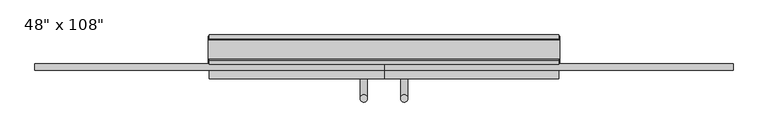
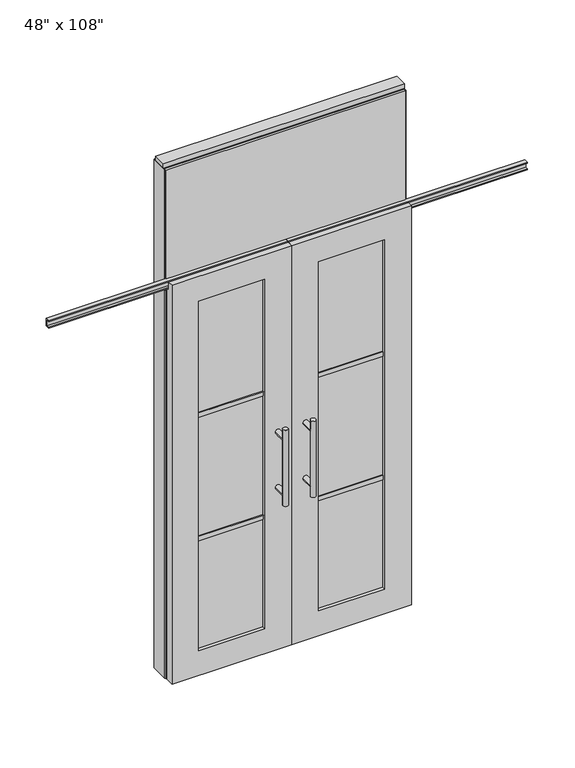
"""IFC4 building model written with IfcOpenShell, lengths in millimetres: furniture geometry."""

from ifc_helpers import new_model, si_unit, frame, origin, origin_with_axes, place, context, project, spatial, polyline, circle_curve, ellipse_curve, outline, extrude, faceted_brep, source, transform, mapped, element, save
from ifc_brep_helpers import plane_surface, cylinder_surface, advanced_brep


def furniture_054a3932(model_context):
    return source(origin(), model_context, "Body", "SolidModel", [
        extrude(outline(polyline([(545.6264771, 46.2822784), (545.6264771, 33.5822784), (-665.6995229, 33.5822784), (-665.6995229, 46.2822784), (545.6264771, 46.2822784)])), frame((0.0, 0.0, 2133.6), z_axis=(0.0, 0.0, 1.0), x_axis=(1.0, 0.0, 0.0)), (0.0, 0.0, 1.0), 584.2),
        extrude(outline(polyline([(545.6264771, -55.3177216), (-665.6995229, -55.3177216), (-665.6995229, -42.6177216), (545.6264771, -42.6177216), (545.6264771, -55.3177216)])), frame((0.0, 0.0, 2133.6), z_axis=(0.0, 0.0, 1.0), x_axis=(1.0, 0.0, 0.0)), (0.0, 0.0, 1.0), 584.2),
        advanced_brep(
        [(-117.3135229, 5.8962784, 1219.2), (-142.7135229, 5.8962784, 1219.2), (-117.3135229, 5.8962784, 812.8), (-142.7135229, 5.8962784, 812.8), (-117.3135229, 5.8962784, 1164.336), (-117.3135229, 5.8962784, 867.664), (-142.7135229, 5.8962784, 867.664), (-142.7135229, 5.8962784, 1164.336), (-117.3135229, -61.6677216, 1164.336), (-142.7135229, -61.6677216, 1164.336), (-117.3135229, -61.6677216, 867.664), (-142.7135229, -61.6677216, 867.664)],
        [
            (0, 1, circle_curve(frame((-130.0135229, 5.8962784, 1219.2), z_axis=(0.0, 0.0, 1.0), x_axis=(-1.0, 0.0, 0.0)), 12.7)),
            (1, 0, circle_curve(frame((-130.0135229, 5.8962784, 1219.2), z_axis=(0.0, 0.0, 1.0), x_axis=(-1.0, 0.0, 0.0)), 12.7)),
            (2, 3, circle_curve(frame((-130.0135229, 5.8962784, 812.8), z_axis=(0.0, 0.0, -1.0), x_axis=(-1.0, 0.0, 0.0)), 12.7)),
            (3, 2, circle_curve(frame((-130.0135229, 5.8962784, 812.8), z_axis=(0.0, 0.0, -1.0), x_axis=(-1.0, 0.0, 0.0)), 12.7)),
            (0, 4),
            (4, 5),
            (5, 2),
            (3, 6),
            (6, 7),
            (7, 1),
            (7, 4, ellipse_curve(frame((-130.0135229, 5.8962784, 1164.336), z_axis=(0.0, 0.707106781186565, 0.70710678118653), x_axis=(0.0, -0.70710678118653, 0.707106781186565)), 17.9605122, 12.7)),
            (5, 6, ellipse_curve(frame((-130.0135229, 5.8962784, 867.664), z_axis=(0.0, 0.70710678118653, -0.7071067811865649), x_axis=(0.0, 0.7071067811865648, 0.7071067811865301)), 17.9605122, 12.7)),
            (4, 7, ellipse_curve(frame((-130.0135229, 5.8962784, 1164.336), z_axis=(0.0, 0.70710678118653, -0.7071067811865649), x_axis=(0.0, 0.7071067811865648, 0.7071067811865301)), 17.9605122, 12.7)),
            (6, 5, ellipse_curve(frame((-130.0135229, 5.8962784, 867.664), z_axis=(0.0, 0.707106781186565, 0.70710678118653), x_axis=(0.0, -0.70710678118653, 0.707106781186565)), 17.9605122, 12.7)),
            (8, 9, circle_curve(frame((-130.0135229, -61.6677216, 1164.336), z_axis=(0.0, -1.0, 0.0), x_axis=(-1.0, 0.0, 0.0)), 12.7)),
            (9, 8, circle_curve(frame((-130.0135229, -61.6677216, 1164.336), z_axis=(0.0, -1.0, 0.0), x_axis=(-1.0, 0.0, 0.0)), 12.7)),
            (9, 7),
            (4, 8),
            (10, 11, circle_curve(frame((-130.0135229, -61.6677216, 867.664), z_axis=(0.0, -1.0, 0.0), x_axis=(-1.0, 0.0, 0.0)), 12.7)),
            (11, 10, circle_curve(frame((-130.0135229, -61.6677216, 867.664), z_axis=(0.0, -1.0, 0.0), x_axis=(-1.0, 0.0, 0.0)), 12.7)),
            (11, 6),
            (5, 10),
        ],
        [
            plane_surface(frame((-142.7135229, 5.8962784, 1219.2), z_axis=(0.0, 0.0, 1.0), x_axis=(0.0, -1.0, 0.0))),
            plane_surface(frame((-142.7135229, 5.8962784, 812.8), z_axis=(0.0, 0.0, -1.0), x_axis=(0.0, 1.0, 0.0))),
            cylinder_surface(frame((-130.0135229, 5.8962784, 812.8), z_axis=(0.0, 0.0, 1.0), x_axis=(-1.0, 0.0, 0.0)), 12.7),
            plane_surface(frame((-142.7135229, -61.6677216, 1164.336), z_axis=(0.0, -1.0, 0.0), x_axis=(0.0, 0.0, -1.0))),
            cylinder_surface(frame((-130.0135229, -61.6677216, 1164.336), z_axis=(0.0, 1.0, 0.0), x_axis=(-1.0, 0.0, 0.0)), 12.7),
            plane_surface(frame((-142.7135229, -61.6677216, 867.664), z_axis=(0.0, -1.0, 0.0), x_axis=(0.0, 0.0, -1.0))),
            cylinder_surface(frame((-130.0135229, -61.6677216, 867.664), z_axis=(0.0, 1.0, 0.0), x_axis=(-1.0, 0.0, 0.0)), 12.7),
        ],
        [
            (0, [[1, 2]]),
            (1, [[3, 4]]),
            (2, [[-1, 5, 6, 7, -4, 8, 9, 10]]),
            (2, [[-2, -10, 11, -5]]),
            (2, [[-3, -7, 12, -8]]),
            (2, [[13, -9, 14, -6]]),
            (3, [[15, 16]]),
            (4, [[-16, 17, -13, 18]]),
            (4, [[-15, -18, -11, -17]]),
            (5, [[19, 20]]),
            (6, [[-20, 21, -12, 22]]),
            (6, [[-19, -22, -14, -21]]),
        ],
    ),
        advanced_brep(
        [(-117.3135229, -173.6817216, 1219.2), (-142.7135229, -173.6817216, 1219.2), (-117.3135229, -173.6817216, 812.8), (-142.7135229, -173.6817216, 812.8), (-142.7135229, -173.6817216, 1164.336), (-142.7135229, -173.6817216, 867.664), (-117.3135229, -173.6817216, 867.664), (-117.3135229, -173.6817216, 1164.336), (-117.3135229, -106.1177216, 1164.336), (-142.7135229, -106.1177216, 1164.336), (-117.3135229, -106.1177216, 867.664), (-142.7135229, -106.1177216, 867.664)],
        [
            (0, 1, circle_curve(frame((-130.0135229, -173.6817216, 1219.2), z_axis=(0.0, 0.0, 1.0), x_axis=(-1.0, 0.0, 0.0)), 12.7)),
            (1, 0, circle_curve(frame((-130.0135229, -173.6817216, 1219.2), z_axis=(0.0, 0.0, 1.0), x_axis=(-1.0, 0.0, 0.0)), 12.7)),
            (2, 3, circle_curve(frame((-130.0135229, -173.6817216, 812.8), z_axis=(0.0, 0.0, -1.0), x_axis=(-1.0, 0.0, 0.0)), 12.7)),
            (3, 2, circle_curve(frame((-130.0135229, -173.6817216, 812.8), z_axis=(0.0, 0.0, -1.0), x_axis=(-1.0, 0.0, 0.0)), 12.7)),
            (1, 4),
            (4, 5),
            (5, 3),
            (2, 6),
            (6, 7),
            (7, 0),
            (6, 5, ellipse_curve(frame((-130.0135229, -173.6817216, 867.664), z_axis=(0.0, -0.707106781186565, 0.70710678118653), x_axis=(0.0, 0.70710678118653, 0.707106781186565)), 17.9605122, 12.7)),
            (4, 7, ellipse_curve(frame((-130.0135229, -173.6817216, 1164.336), z_axis=(0.0, -0.70710678118653, -0.7071067811865649), x_axis=(0.0, -0.7071067811865648, 0.7071067811865301)), 17.9605122, 12.7)),
            (7, 4, ellipse_curve(frame((-130.0135229, -173.6817216, 1164.336), z_axis=(0.0, -0.707106781186565, 0.70710678118653), x_axis=(0.0, 0.70710678118653, 0.707106781186565)), 17.9605122, 12.7)),
            (5, 6, ellipse_curve(frame((-130.0135229, -173.6817216, 867.664), z_axis=(0.0, -0.70710678118653, -0.7071067811865649), x_axis=(0.0, -0.7071067811865648, 0.7071067811865301)), 17.9605122, 12.7)),
            (8, 9, circle_curve(frame((-130.0135229, -106.1177216, 1164.336), z_axis=(0.0, 1.0, 0.0), x_axis=(-1.0, 0.0, 0.0)), 12.7)),
            (9, 8, circle_curve(frame((-130.0135229, -106.1177216, 1164.336), z_axis=(0.0, 1.0, 0.0), x_axis=(-1.0, 0.0, 0.0)), 12.7)),
            (8, 7),
            (4, 9),
            (10, 11, circle_curve(frame((-130.0135229, -106.1177216, 867.664), z_axis=(0.0, 1.0, 0.0), x_axis=(-1.0, 0.0, 0.0)), 12.7)),
            (11, 10, circle_curve(frame((-130.0135229, -106.1177216, 867.664), z_axis=(0.0, 1.0, 0.0), x_axis=(-1.0, 0.0, 0.0)), 12.7)),
            (10, 6),
            (5, 11),
        ],
        [
            plane_surface(frame((-142.7135229, -173.6817216, 1219.2), z_axis=(0.0, 0.0, 1.0), x_axis=(0.0, 1.0, 0.0))),
            plane_surface(frame((-142.7135229, -173.6817216, 812.8), z_axis=(0.0, 0.0, -1.0), x_axis=(0.0, -1.0, 0.0))),
            cylinder_surface(frame((-130.0135229, -173.6817216, 812.8), z_axis=(0.0, 0.0, 1.0), x_axis=(-1.0, 0.0, 0.0)), 12.7),
            plane_surface(frame((-142.7135229, -106.1177216, 1164.336), z_axis=(0.0, 1.0, 0.0), x_axis=(0.0, 0.0, -1.0))),
            cylinder_surface(frame((-130.0135229, -106.1177216, 1164.336), z_axis=(0.0, -1.0, 0.0), x_axis=(-1.0, 0.0, 0.0)), 12.7),
            plane_surface(frame((-142.7135229, -106.1177216, 867.664), z_axis=(0.0, 1.0, 0.0), x_axis=(0.0, 0.0, -1.0))),
            cylinder_surface(frame((-130.0135229, -106.1177216, 867.664), z_axis=(0.0, -1.0, 0.0), x_axis=(-1.0, 0.0, 0.0)), 12.7),
        ],
        [
            (0, [[1, 2]]),
            (1, [[3, 4]]),
            (2, [[5, 6, 7, -3, 8, 9, 10, -2]]),
            (2, [[-9, 11, -6, 12]]),
            (2, [[-10, 13, -5, -1]]),
            (2, [[-7, 14, -8, -4]]),
            (3, [[15, 16]]),
            (4, [[17, -12, 18, -15]]),
            (4, [[-18, -13, -17, -16]]),
            (5, [[19, 20]]),
            (6, [[21, -14, 22, -19]]),
            (6, [[-22, -11, -21, -20]]),
        ],
    ),
        extrude(outline(polyline([(-196.0535229, -95.0052216), (-529.6825229, -95.0052216), (-529.6825229, -72.7802216), (-196.0535229, -72.7802216), (-196.0535229, -95.0052216)])), frame((0.0, 0.0, 1371.6), z_axis=(0.0, 0.0, 1.0), x_axis=(1.0, 0.0, 0.0)), (0.0, 0.0, 1.0), 22.225),
        extrude(outline(polyline([(-196.0535229, -95.0052216), (-529.6825229, -95.0052216), (-529.6825229, -72.7802216), (-196.0535229, -72.7802216), (-196.0535229, -95.0052216)])), frame((0.0, 0.0, 711.2), z_axis=(0.0, 0.0, 1.0), x_axis=(1.0, 0.0, 0.0)), (0.0, 0.0, 1.0), 22.225),
        extrude(outline(polyline([(-529.6825229, -88.9727216), (-529.6825229, -78.8127216), (-196.0535229, -78.8127216), (-196.0535229, -88.9727216), (-529.6825229, -88.9727216)])), frame((0.0, 0.0, 132.969), z_axis=(0.0, 0.0, 1.0), x_axis=(1.0, 0.0, 0.0)), (0.0, 0.0, 1.0), 1867.662),
        extrude(outline(polyline([(-75.3837216, 2097.278), (-75.3837216, 2102.612), (-62.6837216, 2102.612), (-62.6837216, 2131.568), (-75.3837216, 2131.568), (-75.3837216, 2136.902), (-53.6667216, 2136.902), (-53.6667216, 2097.278), (-75.3837216, 2097.278)])), frame((-1271.3625229, 0.0, 0.0), z_axis=(1.0, 0.0, 0.0), x_axis=(0.0, 1.0, 0.0)), (0.0, 0.0, 1.0), 1211.326),
        faceted_brep([(-60.0365229, -106.1177216, 0.0), (-60.0365229, -106.1177216, 2133.6), (-665.6995229, -106.1177216, 2133.6), (-665.6995229, -106.1177216, 0.0), (-529.6825229, -106.1177216, 2000.631), (-196.0535229, -106.1177216, 2000.631), (-196.0535229, -106.1177216, 132.969), (-529.6825229, -106.1177216, 132.969), (-60.0365229, -78.6857216, 2133.6), (-60.0365229, -78.6857216, 2089.023), (-665.6995229, -78.6857216, 2089.023), (-665.6995229, -78.6857216, 2133.6), (-60.0365229, -61.6677216, 0.0), (-60.0365229, -61.6677216, 2089.023), (-665.6995229, -61.6677216, 2089.023), (-665.6995229, -61.6677216, 0.0), (-529.6825229, -61.6677216, 2000.631), (-529.6825229, -61.6677216, 132.969), (-196.0535229, -61.6677216, 132.969), (-196.0535229, -61.6677216, 2000.631)], [[[0, 1, 2, 3], [4, 5, 6, 7]], [[8, 9, 10, 11]], [[0, 12, 13, 9, 8, 1]], [[2, 11, 10, 14, 15, 3]], [[1, 8, 11, 2]], [[14, 13, 12, 15], [16, 17, 18, 19]], [[14, 10, 9, 13]], [[3, 15, 12, 0]], [[7, 17, 16, 4]], [[6, 18, 17, 7]], [[5, 19, 18, 6]], [[4, 16, 19, 5]]]),
        advanced_brep(
        [(-2.7595229, 5.8962784, 1219.2), (22.6404771, 5.8962784, 1219.2), (-2.7595229, 5.8962784, 812.8), (22.6404771, 5.8962784, 812.8), (22.6404771, 5.8962784, 1164.336), (22.6404771, 5.8962784, 867.664), (-2.7595229, 5.8962784, 867.664), (-2.7595229, 5.8962784, 1164.336), (-2.7595229, -61.6677216, 1164.336), (22.6404771, -61.6677216, 1164.336), (-2.7595229, -61.6677216, 867.664), (22.6404771, -61.6677216, 867.664)],
        [
            (0, 1, circle_curve(frame((9.9404771, 5.8962784, 1219.2), z_axis=(0.0, 0.0, 1.0), x_axis=(1.0, 0.0, 0.0)), 12.7)),
            (1, 0, circle_curve(frame((9.9404771, 5.8962784, 1219.2), z_axis=(0.0, 0.0, 1.0), x_axis=(1.0, 0.0, 0.0)), 12.7)),
            (2, 3, circle_curve(frame((9.9404771, 5.8962784, 812.8), z_axis=(0.0, 0.0, -1.0), x_axis=(1.0, 0.0, 0.0)), 12.7)),
            (3, 2, circle_curve(frame((9.9404771, 5.8962784, 812.8), z_axis=(0.0, 0.0, -1.0), x_axis=(1.0, 0.0, 0.0)), 12.7)),
            (1, 4),
            (4, 5),
            (5, 3),
            (2, 6),
            (6, 7),
            (7, 0),
            (6, 5, ellipse_curve(frame((9.9404771, 5.8962784, 867.664), z_axis=(0.0, 0.707106781186565, 0.70710678118653), x_axis=(0.0, -0.70710678118653, 0.707106781186565)), 17.9605122, 12.7)),
            (4, 7, ellipse_curve(frame((9.9404771, 5.8962784, 1164.336), z_axis=(0.0, 0.70710678118653, -0.7071067811865649), x_axis=(0.0, 0.7071067811865648, 0.7071067811865301)), 17.9605122, 12.7)),
            (7, 4, ellipse_curve(frame((9.9404771, 5.8962784, 1164.336), z_axis=(0.0, 0.707106781186565, 0.70710678118653), x_axis=(0.0, -0.70710678118653, 0.707106781186565)), 17.9605122, 12.7)),
            (5, 6, ellipse_curve(frame((9.9404771, 5.8962784, 867.664), z_axis=(0.0, 0.70710678118653, -0.7071067811865649), x_axis=(0.0, 0.7071067811865648, 0.7071067811865301)), 17.9605122, 12.7)),
            (8, 9, circle_curve(frame((9.9404771, -61.6677216, 1164.336), z_axis=(0.0, -1.0, 0.0), x_axis=(1.0, 0.0, 0.0)), 12.7)),
            (9, 8, circle_curve(frame((9.9404771, -61.6677216, 1164.336), z_axis=(0.0, -1.0, 0.0), x_axis=(1.0, 0.0, 0.0)), 12.7)),
            (8, 7),
            (4, 9),
            (10, 11, circle_curve(frame((9.9404771, -61.6677216, 867.664), z_axis=(0.0, -1.0, 0.0), x_axis=(1.0, 0.0, 0.0)), 12.7)),
            (11, 10, circle_curve(frame((9.9404771, -61.6677216, 867.664), z_axis=(0.0, -1.0, 0.0), x_axis=(1.0, 0.0, 0.0)), 12.7)),
            (10, 6),
            (5, 11),
        ],
        [
            plane_surface(frame((22.6404771, 5.8962784, 1219.2), z_axis=(0.0, 0.0, 1.0), x_axis=(0.0, -1.0, 0.0))),
            plane_surface(frame((22.6404771, 5.8962784, 812.8), z_axis=(0.0, 0.0, -1.0), x_axis=(0.0, 1.0, 0.0))),
            cylinder_surface(frame((9.9404771, 5.8962784, 812.8), z_axis=(0.0, 0.0, 1.0), x_axis=(1.0, 0.0, 0.0)), 12.7),
            plane_surface(frame((22.6404771, -61.6677216, 1164.336), z_axis=(0.0, -1.0, 0.0), x_axis=(0.0, 0.0, -1.0))),
            cylinder_surface(frame((9.9404771, -61.6677216, 1164.336), z_axis=(0.0, 1.0, 0.0), x_axis=(1.0, 0.0, 0.0)), 12.7),
            plane_surface(frame((22.6404771, -61.6677216, 867.664), z_axis=(0.0, -1.0, 0.0), x_axis=(0.0, 0.0, -1.0))),
            cylinder_surface(frame((9.9404771, -61.6677216, 867.664), z_axis=(0.0, 1.0, 0.0), x_axis=(1.0, 0.0, 0.0)), 12.7),
        ],
        [
            (0, [[1, 2]]),
            (1, [[3, 4]]),
            (2, [[5, 6, 7, -3, 8, 9, 10, -2]]),
            (2, [[-9, 11, -6, 12]]),
            (2, [[-10, 13, -5, -1]]),
            (2, [[-7, 14, -8, -4]]),
            (3, [[15, 16]]),
            (4, [[17, -12, 18, -15]]),
            (4, [[-18, -13, -17, -16]]),
            (5, [[19, 20]]),
            (6, [[21, -14, 22, -19]]),
            (6, [[-22, -11, -21, -20]]),
        ],
    ),
        advanced_brep(
        [(-2.7595229, -173.6817216, 1219.2), (22.6404771, -173.6817216, 1219.2), (-2.7595229, -173.6817216, 812.8), (22.6404771, -173.6817216, 812.8), (-2.7595229, -173.6817216, 1164.336), (-2.7595229, -173.6817216, 867.664), (22.6404771, -173.6817216, 867.664), (22.6404771, -173.6817216, 1164.336), (-2.7595229, -106.1177216, 1164.336), (22.6404771, -106.1177216, 1164.336), (-2.7595229, -106.1177216, 867.664), (22.6404771, -106.1177216, 867.664)],
        [
            (0, 1, circle_curve(frame((9.9404771, -173.6817216, 1219.2), z_axis=(0.0, 0.0, 1.0), x_axis=(1.0, 0.0, 0.0)), 12.7)),
            (1, 0, circle_curve(frame((9.9404771, -173.6817216, 1219.2), z_axis=(0.0, 0.0, 1.0), x_axis=(1.0, 0.0, 0.0)), 12.7)),
            (2, 3, circle_curve(frame((9.9404771, -173.6817216, 812.8), z_axis=(0.0, 0.0, -1.0), x_axis=(1.0, 0.0, 0.0)), 12.7)),
            (3, 2, circle_curve(frame((9.9404771, -173.6817216, 812.8), z_axis=(0.0, 0.0, -1.0), x_axis=(1.0, 0.0, 0.0)), 12.7)),
            (0, 4),
            (4, 5),
            (5, 2),
            (3, 6),
            (6, 7),
            (7, 1),
            (7, 4, ellipse_curve(frame((9.9404771, -173.6817216, 1164.336), z_axis=(0.0, -0.707106781186565, 0.70710678118653), x_axis=(0.0, 0.70710678118653, 0.707106781186565)), 17.9605122, 12.7)),
            (5, 6, ellipse_curve(frame((9.9404771, -173.6817216, 867.664), z_axis=(0.0, -0.70710678118653, -0.7071067811865649), x_axis=(0.0, -0.7071067811865648, 0.7071067811865301)), 17.9605122, 12.7)),
            (4, 7, ellipse_curve(frame((9.9404771, -173.6817216, 1164.336), z_axis=(0.0, -0.70710678118653, -0.7071067811865649), x_axis=(0.0, -0.7071067811865648, 0.7071067811865301)), 17.9605122, 12.7)),
            (6, 5, ellipse_curve(frame((9.9404771, -173.6817216, 867.664), z_axis=(0.0, -0.707106781186565, 0.70710678118653), x_axis=(0.0, 0.70710678118653, 0.707106781186565)), 17.9605122, 12.7)),
            (8, 9, circle_curve(frame((9.9404771, -106.1177216, 1164.336), z_axis=(0.0, 1.0, 0.0), x_axis=(1.0, 0.0, 0.0)), 12.7)),
            (9, 8, circle_curve(frame((9.9404771, -106.1177216, 1164.336), z_axis=(0.0, 1.0, 0.0), x_axis=(1.0, 0.0, 0.0)), 12.7)),
            (9, 7),
            (4, 8),
            (10, 11, circle_curve(frame((9.9404771, -106.1177216, 867.664), z_axis=(0.0, 1.0, 0.0), x_axis=(1.0, 0.0, 0.0)), 12.7)),
            (11, 10, circle_curve(frame((9.9404771, -106.1177216, 867.664), z_axis=(0.0, 1.0, 0.0), x_axis=(1.0, 0.0, 0.0)), 12.7)),
            (11, 6),
            (5, 10),
        ],
        [
            plane_surface(frame((22.6404771, -173.6817216, 1219.2), z_axis=(0.0, 0.0, 1.0), x_axis=(0.0, 1.0, 0.0))),
            plane_surface(frame((22.6404771, -173.6817216, 812.8), z_axis=(0.0, 0.0, -1.0), x_axis=(0.0, -1.0, 0.0))),
            cylinder_surface(frame((9.9404771, -173.6817216, 812.8), z_axis=(0.0, 0.0, 1.0), x_axis=(1.0, 0.0, 0.0)), 12.7),
            plane_surface(frame((22.6404771, -106.1177216, 1164.336), z_axis=(0.0, 1.0, 0.0), x_axis=(0.0, 0.0, -1.0))),
            cylinder_surface(frame((9.9404771, -106.1177216, 1164.336), z_axis=(0.0, -1.0, 0.0), x_axis=(1.0, 0.0, 0.0)), 12.7),
            plane_surface(frame((22.6404771, -106.1177216, 867.664), z_axis=(0.0, 1.0, 0.0), x_axis=(0.0, 0.0, -1.0))),
            cylinder_surface(frame((9.9404771, -106.1177216, 867.664), z_axis=(0.0, -1.0, 0.0), x_axis=(1.0, 0.0, 0.0)), 12.7),
        ],
        [
            (0, [[1, 2]]),
            (1, [[3, 4]]),
            (2, [[-1, 5, 6, 7, -4, 8, 9, 10]]),
            (2, [[-2, -10, 11, -5]]),
            (2, [[-3, -7, 12, -8]]),
            (2, [[13, -9, 14, -6]]),
            (3, [[15, 16]]),
            (4, [[-16, 17, -13, 18]]),
            (4, [[-15, -18, -11, -17]]),
            (5, [[19, 20]]),
            (6, [[-20, 21, -12, 22]]),
            (6, [[-19, -22, -14, -21]]),
        ],
    ),
        extrude(outline(polyline([(75.9804771, -95.0052216), (75.9804771, -72.7802216), (409.6094771, -72.7802216), (409.6094771, -95.0052216), (75.9804771, -95.0052216)])), frame((0.0, 0.0, 1371.6), z_axis=(0.0, 0.0, 1.0), x_axis=(1.0, 0.0, 0.0)), (0.0, 0.0, 1.0), 22.225),
        extrude(outline(polyline([(75.9804771, -95.0052216), (75.9804771, -72.7802216), (409.6094771, -72.7802216), (409.6094771, -95.0052216), (75.9804771, -95.0052216)])), frame((0.0, 0.0, 711.2), z_axis=(0.0, 0.0, 1.0), x_axis=(1.0, 0.0, 0.0)), (0.0, 0.0, 1.0), 22.225),
        extrude(outline(polyline([(409.6094771, -88.9727216), (75.9804771, -88.9727216), (75.9804771, -78.8127216), (409.6094771, -78.8127216), (409.6094771, -88.9727216)])), frame((0.0, 0.0, 132.969), z_axis=(0.0, 0.0, 1.0), x_axis=(1.0, 0.0, 0.0)), (0.0, 0.0, 1.0), 1867.662),
        extrude(outline(polyline([(-75.3837216, 2097.278), (-75.3837216, 2102.612), (-62.6837216, 2102.612), (-62.6837216, 2131.568), (-75.3837216, 2131.568), (-75.3837216, 2136.902), (-53.6667216, 2136.902), (-53.6667216, 2097.278), (-75.3837216, 2097.278)])), frame((-60.0365229, 0.0, 0.0), z_axis=(1.0, 0.0, 0.0), x_axis=(0.0, 1.0, 0.0)), (0.0, 0.0, 1.0), 1211.326),
        faceted_brep([(-60.0365229, -106.1177216, 0.0), (545.6264771, -106.1177216, 0.0), (545.6264771, -106.1177216, 2133.6), (-60.0365229, -106.1177216, 2133.6), (409.6094771, -106.1177216, 2000.631), (409.6094771, -106.1177216, 132.969), (75.9804771, -106.1177216, 132.969), (75.9804771, -106.1177216, 2000.631), (-60.0365229, -78.6857216, 2133.6), (545.6264771, -78.6857216, 2133.6), (545.6264771, -78.6857216, 2089.023), (-60.0365229, -78.6857216, 2089.023), (-60.0365229, -61.6677216, 2089.023), (-60.0365229, -61.6677216, 0.0), (545.6264771, -61.6677216, 0.0), (545.6264771, -61.6677216, 2089.023), (409.6094771, -61.6677216, 2000.631), (75.9804771, -61.6677216, 2000.631), (75.9804771, -61.6677216, 132.969), (409.6094771, -61.6677216, 132.969)], [[[0, 1, 2, 3], [4, 5, 6, 7]], [[8, 9, 10, 11]], [[0, 3, 8, 11, 12, 13]], [[2, 1, 14, 15, 10, 9]], [[3, 2, 9, 8]], [[15, 14, 13, 12], [16, 17, 18, 19]], [[15, 12, 11, 10]], [[1, 0, 13, 14]], [[5, 4, 16, 19]], [[6, 5, 19, 18]], [[7, 6, 18, 17]], [[4, 7, 17, 16]]]),
        extrude(outline(polyline([(-42.6177216, 2681.478), (-42.6177216, 2717.8), (33.5822784, 2717.8), (33.5822784, 2681.478), (28.6292784, 2681.478), (28.6292784, 2676.525), (-37.6647216, 2676.525), (-37.6647216, 2681.478), (-42.6177216, 2681.478)])), frame((-665.6995229, 0.0, 0.0), z_axis=(1.0, 0.0, 0.0), x_axis=(0.0, 1.0, 0.0)), (0.0, 0.0, 1.0), 1211.326),
        extrude(outline(polyline([(-665.6995229, -55.3177216), (-665.6995229, 46.2822784), (545.6264771, 46.2822784), (545.6264771, -55.3177216), (-665.6995229, -55.3177216)])), frame((0.0, 0.0, 2070.1), z_axis=(0.0, 0.0, 1.0), x_axis=(1.0, 0.0, 0.0)), (0.0, 0.0, 1.0), 22.225),
        extrude(outline(polyline([(-55.3177216, 2097.278), (-55.3177216, 2133.6), (46.2822784, 2133.6), (46.2822784, 2097.278), (41.3292784, 2097.278), (41.3292784, 2092.325), (-50.3647216, 2092.325), (-50.3647216, 2097.278), (-55.3177216, 2097.278)])), frame((-665.6995229, 0.0, 0.0), z_axis=(1.0, 0.0, 0.0), x_axis=(0.0, 1.0, 0.0)), (0.0, 0.0, 1.0), 1211.326),
        extrude(outline(polyline([(549.5634771, -50.3647216), (545.6264771, -50.3647216), (545.6264771, 41.3292784), (549.5634771, 41.3292784), (549.5634771, -50.3647216)])), origin_with_axes(), (0.0, 0.0, 1.0), 2717.8),
        extrude(outline(polyline([(-669.6365229, -50.3647216), (-669.6365229, 41.3292784), (-665.6995229, 41.3292784), (-665.6995229, -50.3647216), (-669.6365229, -50.3647216)])), origin_with_axes(), (0.0, 0.0, 1.0), 2717.8),
        extrude(outline(polyline([(523.4014771, -55.3177216), (523.4014771, 46.2822784), (545.6264771, 46.2822784), (545.6264771, -55.3177216), (523.4014771, -55.3177216)])), origin_with_axes(), (0.0, 0.0, 1.0), 2070.1),
        extrude(outline(polyline([(-643.4745229, -55.3177216), (-665.6995229, -55.3177216), (-665.6995229, 46.2822784), (-643.4745229, 46.2822784), (-643.4745229, -55.3177216)])), origin_with_axes(), (0.0, 0.0, 1.0), 2070.1),
        extrude(outline(polyline([(-669.6365229, -37.0297216), (-669.6365229, 27.9942784), (549.5634771, 27.9942784), (549.5634771, -37.0297216), (-669.6365229, -37.0297216)])), frame((0.0, 0.0, 2717.8), z_axis=(0.0, 0.0, 1.0), x_axis=(1.0, 0.0, 0.0)), (0.0, 0.0, 1.0), 25.4),
    ])


if __name__ == "__main__":
    model = new_model("IFC4")
    model_context = context("Model", 3, world=origin())
    ifc_project = project(units=[si_unit("LENGTHUNIT", "METRE", prefix="MILLI")], contexts=[model_context])
    site = spatial("IfcSite", under=ifc_project)
    building = spatial("IfcBuilding", under=site)
    placement = place(None, origin())
    furniture_shape = furniture_054a3932(model_context)
    element("IfcFurniture", 1, ObjectType="48\" x 108\"", at=placement, inside=building, context=model_context, shape_type="MappedRepresentation", body=[
        mapped(furniture_shape, transform((0.0, 0.0, 0.0), x_axis=(1.0, 0.0, 0.0), y_axis=(0.0, 1.0, 0.0), z_axis=(0.0, 0.0, 1.0))),
    ])
    save(model, "model.ifc")
